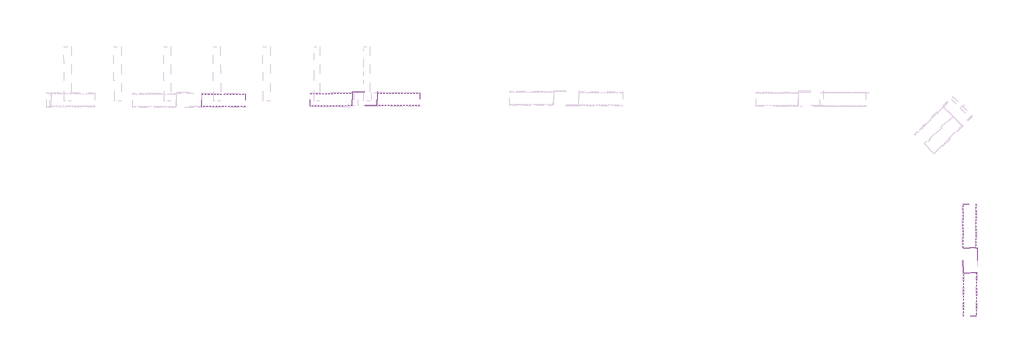
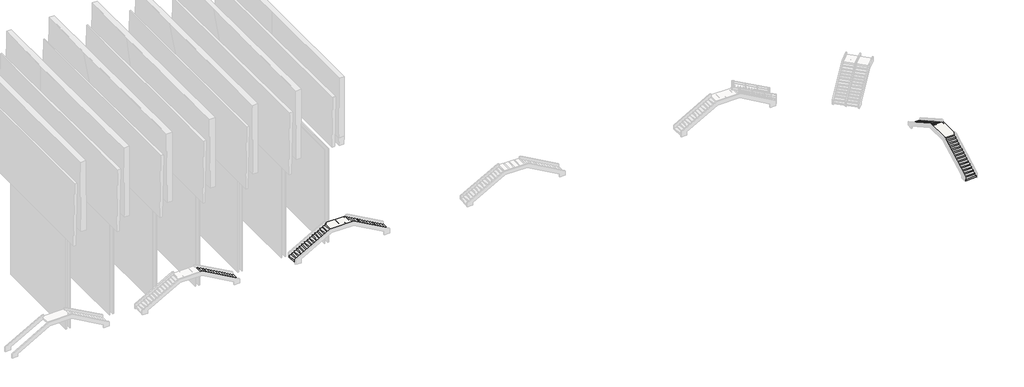
# One storey, part 5 of 9: 5 stair flights, 2 slabs.
"""IFC4 building model written with IfcOpenShell, lengths in millimetres."""

from ifc_helpers import new_model, si_unit, origin, place, context, project, spatial, faceted_brep, element, save

model = new_model("IFC4")

# Units and contexts
model_context = context("Model", 3, world=origin())
ifc_project = project(units=[si_unit("LENGTHUNIT", "METRE", prefix="MILLI")], contexts=[model_context])

# Site, building, storey
site = spatial("IfcSite", under=ifc_project)
building = spatial("IfcBuilding", under=site)
storey = spatial("IfcBuildingStorey", under=building, Elevation=-6062.0)

# Slabs
placement = place(None, origin())
element("IfcSlab", 1, at=placement, inside=storey, context=model_context, shape_type="Brep", body=[
    faceted_brep([(53920.2213619, 101679.308702, 30.875), (53925.3314713, 100476.7741013, 30.875), (53945.3312907, 100476.8590896, 30.875), (56321.0527632, 100486.9545967, 30.875), (56341.0525826, 100487.0395849, 30.875), (56335.9427821, 101689.5014925, 30.875), (56335.2364982, 101855.7075003, 30.875), (53919.5238593, 101843.4482411, 30.875), (56341.0525826, 100487.0395849, -151.125), (56335.9427821, 101689.5014925, -151.125), (56335.9427821, 101689.5014925, 10.875), (53919.5238593, 101843.4482411, 10.875), (53920.2213619, 101679.308702, 10.875), (53925.3314713, 100476.7741013, -151.125), (53945.3312907, 100476.8590896, -151.125), (53945.3312907, 100476.8590896, 10.875), (56321.0527632, 100486.9545967, 10.875), (56321.0527632, 100486.9545967, -151.125), (56315.9429627, 101689.4165043, 10.875), (53940.2211813, 101679.3936903, 10.875), (56335.2364982, 101855.7075003, 10.875), (56315.9429627, 101689.4165043, -151.125), (53940.2211813, 101679.3936903, -151.125), (53920.2213619, 101679.308702, -151.125)], [[[0, 1, 2, 3, 4, 5, 6, 7]], [[5, 4, 8, 9, 10]], [[0, 7, 11, 12]], [[1, 13, 14, 15, 16, 17, 8, 4, 3, 2]], [[10, 18, 16, 15, 19, 12, 11, 20]], [[21, 18, 10, 9]], [[17, 21, 9, 8]], [[21, 17, 16, 18]], [[19, 22, 23, 12]], [[22, 14, 13, 23]], [[14, 22, 19, 15]], [[1, 0, 12, 23, 13]], [[6, 5, 10, 20]], [[7, 6, 20, 11]]]),
])
element("IfcSlab", 2, at=placement, inside=storey, context=model_context, shape_type="Brep", body=[
    faceted_brep([(113674.0997903, 86866.8438191, 50.875), (112471.5718735, 86860.3247573, 50.875), (112471.6802945, 86840.3250512, 50.875), (112484.6136776, 84454.5899958, 50.875), (113815.5643997, 84461.8052545, 50.875), (113808.6632375, 86867.5733052, 50.875), (113674.0997903, 86866.8438191, 30.875), (113674.0997903, 86866.8438191, -136.4583333), (112471.5718735, 86860.3247573, -136.4583333), (112471.6802945, 86840.3250512, -136.4583333), (112471.6802945, 86840.3250512, 30.875), (112484.6136776, 84454.5899958, 30.875), (113674.2082114, 86846.844113, -136.4583333), (113674.2082114, 86846.844113, 30.875), (113808.6632375, 86867.5733052, 30.875), (113815.5643997, 84461.8052545, 30.875)], [[[0, 1, 2, 3, 4, 5]], [[1, 0, 6, 7, 8]], [[1, 8, 9, 10, 11, 3, 2]], [[12, 9, 8, 7]], [[13, 6, 14, 15, 11, 10]], [[0, 5, 14, 6]], [[5, 4, 15, 14]], [[4, 3, 11, 15]], [[13, 12, 7, 6]], [[9, 12, 13, 10]]]),
])

# Stair flights
element("IfcStairFlight", 3, ObjectType="Rampa_Acciaio_2cm", at=placement, inside=storey, context=model_context, shape_type="Brep", body=[
    faceted_brep([(43390.599231, 100405.9581301, -2242.4583333), (43689.599231, 100405.9600556, -2242.4583333), (43689.5914868, 101608.5056426, -2242.4583333), (43390.5914868, 101608.5037171, -2242.4583333), (43689.5914868, 101608.5056426, -2409.125), (43669.5914868, 101608.5055138, -2409.125), (43669.591486, 101608.5055138, -2262.4583333), (43390.5914868, 101608.5037171, -2262.4583333), (43689.599231, 100405.9600556, -2409.125), (43390.599231, 100405.9581301, -2262.4583333), (43669.599231, 100405.9599268, -2262.4583333), (43669.5992317, 100405.9599268, -2409.125), (43091.599231, 100405.9562046, -2075.7916667), (43390.599231, 100405.9581301, -2075.7916667), (43390.5914868, 101608.5037171, -2075.7916667), (43091.5914868, 101608.5017916, -2075.7916667), (43370.5914868, 101608.5035883, -2262.4583333), (43370.5914867, 101608.5035883, -2095.7916667), (43091.5914868, 101608.5017916, -2095.7916667), (43091.599231, 100405.9562046, -2095.7916667), (43370.599231, 100405.9580013, -2095.7916667), (43370.5992324, 100405.9580013, -2262.4583333), (42792.5992311, 100405.9542791, -1909.125), (43091.599231, 100405.9562046, -1909.125), (43091.5914868, 101608.5017916, -1909.125), (42792.5914868, 101608.4998661, -1909.125), (43071.5914868, 101608.5016628, -2095.7916667), (43071.5914848, 101608.5016628, -1929.125), (42792.5914868, 101608.4998661, -1929.125), (42792.5992311, 100405.9542791, -1929.125), (43071.599231, 100405.9560758, -1929.125), (43071.5992304, 100405.9560758, -2095.7916667), (42493.5992311, 100405.9523536, -1742.4583333), (42792.5992311, 100405.9542791, -1742.4583333), (42792.5914868, 101608.4998661, -1742.4583333), (42493.5914868, 101608.4979405, -1742.4583333), (42772.5914868, 101608.4997373, -1929.125), (42772.5914855, 101608.4997373, -1762.4583333), (42493.5914868, 101608.4979405, -1762.4583333), (42493.5992311, 100405.9523536, -1762.4583333), (42772.5992311, 100405.9541503, -1762.4583333), (42772.5992312, 100405.9541503, -1929.125), (42194.5992311, 100405.950428, -1575.7916667), (42493.5992311, 100405.9523536, -1575.7916667), (42493.5914868, 101608.4979405, -1575.7916667), (42194.5914868, 101608.496015, -1575.7916667), (42473.5914868, 101608.4978118, -1762.4583333), (42473.5914862, 101608.4978118, -1595.7916667), (42194.5914868, 101608.496015, -1595.7916667), (42194.5992311, 100405.950428, -1595.7916667), (42473.5992311, 100405.9522248, -1595.7916667), (42473.5992319, 100405.9522248, -1762.4583333), (41895.5992311, 100405.9485025, -1409.125), (42194.5992311, 100405.950428, -1409.125), (42194.5914868, 101608.496015, -1409.125), (41895.5914868, 101608.4940895, -1409.125), (42174.5914868, 101608.4958862, -1595.7916667), (42174.5914869, 101608.4958862, -1429.125), (41895.5914868, 101608.4940895, -1429.125), (41895.5992311, 100405.9485025, -1429.125), (42174.5992311, 100405.9502992, -1429.125), (42174.5992326, 100405.9502992, -1595.7916667), (41596.5992311, 100405.946577, -1242.4583333), (41895.5992311, 100405.9485025, -1242.4583333), (41895.5914868, 101608.4940895, -1242.4583333), (41596.5914868, 101608.492164, -1242.4583333), (41875.5914868, 101608.4939607, -1429.125), (41875.5914849, 101608.4939607, -1262.4583333), (41596.5914868, 101608.492164, -1262.4583333), (41596.5992311, 100405.946577, -1262.4583333), (41875.5992311, 100405.9483737, -1262.4583333), (41875.5992306, 100405.9483737, -1429.125), (41297.5992311, 100405.9446515, -1075.7916667), (41596.5992311, 100405.946577, -1075.7916667), (41596.5914868, 101608.492164, -1075.7916667), (41297.5914868, 101608.4902385, -1075.7916667), (41576.5914868, 101608.4920352, -1262.4583333), (41576.5914857, 101608.4920352, -1095.7916667), (41297.5914868, 101608.4902385, -1095.7916667), (41297.5992311, 100405.9446515, -1095.7916667), (41576.5992311, 100405.9464482, -1095.7916667), (41576.5992313, 100405.9464482, -1262.4583333), (40998.5992311, 100405.9427259, -909.125), (41297.5992311, 100405.9446515, -909.125), (41297.5914868, 101608.4902385, -909.125), (40998.5914868, 101608.4883129, -909.125), (41277.5914868, 101608.4901097, -1095.7916667), (41277.5914864, 101608.4901097, -929.125), (40998.5914868, 101608.4883129, -929.125), (40998.5992311, 100405.9427259, -929.125), (41277.5992311, 100405.9445227, -929.125), (41277.5992321, 100405.9445227, -1095.7916667), (40699.5992311, 100405.9408004, -742.4583333), (40998.5992311, 100405.9427259, -742.4583333), (40998.5914868, 101608.4883129, -742.4583333), (40699.5914869, 101608.4863874, -742.4583333), (40978.5914868, 101608.4881841, -929.125), (40978.5914871, 101608.4881841, -762.4583333), (40699.5914869, 101608.4863874, -762.4583333), (40699.5992311, 100405.9408004, -762.4583333), (40978.5992311, 100405.9425971, -762.4583333), (40978.5992328, 100405.9425971, -929.125), (40400.5992311, 100405.9388749, -575.7916667), (40699.5992311, 100405.9408004, -575.7916667), (40699.5914869, 101608.4863874, -575.7916667), (40400.5914869, 101608.4844619, -575.7916667), (40679.5914869, 101608.4862586, -762.4583333), (40679.5914851, 101608.4862586, -595.7916667), (40400.5914869, 101608.4844619, -595.7916667), (40400.5992311, 100405.9388749, -595.7916667), (40679.5992311, 100405.9406716, -595.7916667), (40679.5992308, 100405.9406716, -762.4583333), (40101.5992311, 100405.9369494, -409.125), (40400.5992311, 100405.9388749, -409.125), (40400.5914869, 101608.4844619, -409.125), (40101.5914869, 101608.4825364, -409.125), (40380.5914869, 101608.4843331, -595.7916667), (40380.5914858, 101608.4843331, -429.125), (40101.5914869, 101608.4825364, -429.125), (40101.5992311, 100405.9369494, -429.125), (40380.5992311, 100405.9387461, -429.125), (40380.5992315, 100405.9387461, -595.7916667), (39802.5992311, 100405.9350238, -242.4583333), (40101.5992311, 100405.9369494, -242.4583333), (40101.5914869, 101608.4825364, -242.4583333), (39802.5914869, 101608.4806108, -242.4583333), (40081.5914869, 101608.4824076, -429.125), (40081.5914866, 101608.4824076, -262.4583333), (39802.5914869, 101608.4806108, -262.4583333), (39802.5992311, 100405.9350238, -262.4583333), (40081.5992311, 100405.9368206, -262.4583333), (40081.5992322, 100405.9368206, -429.125), (39503.5992311, 100405.9330983, -75.7916667), (39802.5992311, 100405.9350238, -75.7916667), (39802.5914869, 101608.4806108, -75.7916667), (39503.5914869, 101608.4786853, -75.7916667), (39782.5914869, 101608.480482, -262.4583333), (39782.5914846, 101608.480482, -95.7916667), (39503.5914869, 101608.4786853, -95.7916667), (39503.5992311, 100405.9330983, -95.7916667), (39782.5992311, 100405.9348951, -95.7916667), (39782.5992303, 100405.9348951, -262.4583333)], [[[0, 1, 2, 3]], [[3, 2, 4, 5, 6, 7]], [[2, 1, 8, 4]], [[1, 0, 9, 10, 11, 8]], [[12, 13, 14, 15]], [[15, 14, 3, 7, 16, 17, 18]], [[0, 3, 14, 13]], [[13, 12, 19, 20, 21, 9, 0]], [[22, 23, 24, 25]], [[25, 24, 15, 18, 26, 27, 28]], [[12, 15, 24, 23]], [[23, 22, 29, 30, 31, 19, 12]], [[32, 33, 34, 35]], [[35, 34, 25, 28, 36, 37, 38]], [[22, 25, 34, 33]], [[33, 32, 39, 40, 41, 29, 22]], [[42, 43, 44, 45]], [[45, 44, 35, 38, 46, 47, 48]], [[32, 35, 44, 43]], [[43, 42, 49, 50, 51, 39, 32]], [[52, 53, 54, 55]], [[55, 54, 45, 48, 56, 57, 58]], [[42, 45, 54, 53]], [[53, 52, 59, 60, 61, 49, 42]], [[62, 63, 64, 65]], [[65, 64, 55, 58, 66, 67, 68]], [[52, 55, 64, 63]], [[63, 62, 69, 70, 71, 59, 52]], [[72, 73, 74, 75]], [[75, 74, 65, 68, 76, 77, 78]], [[62, 65, 74, 73]], [[73, 72, 79, 80, 81, 69, 62]], [[82, 83, 84, 85]], [[85, 84, 75, 78, 86, 87, 88]], [[72, 75, 84, 83]], [[83, 82, 89, 90, 91, 79, 72]], [[92, 93, 94, 95]], [[95, 94, 85, 88, 96, 97, 98]], [[82, 85, 94, 93]], [[93, 92, 99, 100, 101, 89, 82]], [[102, 103, 104, 105]], [[105, 104, 95, 98, 106, 107, 108]], [[92, 95, 104, 103]], [[103, 102, 109, 110, 111, 99, 92]], [[112, 113, 114, 115]], [[115, 114, 105, 108, 116, 117, 118]], [[102, 105, 114, 113]], [[113, 112, 119, 120, 121, 109, 102]], [[122, 123, 124, 125]], [[125, 124, 115, 118, 126, 127, 128]], [[112, 115, 124, 123]], [[123, 122, 129, 130, 131, 119, 112]], [[4, 8, 11, 5]], [[132, 133, 134, 135]], [[135, 134, 125, 128, 136, 137, 138]], [[122, 125, 134, 133]], [[133, 132, 139, 140, 141, 129, 122]], [[132, 135, 138, 139]], [[10, 6, 5, 11]], [[21, 16, 7, 6, 10, 9]], [[16, 21, 20, 17]], [[31, 26, 18, 17, 20, 19]], [[26, 31, 30, 27]], [[41, 36, 28, 27, 30, 29]], [[36, 41, 40, 37]], [[51, 46, 38, 37, 40, 39]], [[46, 51, 50, 47]], [[61, 56, 48, 47, 50, 49]], [[56, 61, 60, 57]], [[71, 66, 58, 57, 60, 59]], [[66, 71, 70, 67]], [[81, 76, 68, 67, 70, 69]], [[76, 81, 80, 77]], [[91, 86, 78, 77, 80, 79]], [[86, 91, 90, 87]], [[101, 96, 88, 87, 90, 89]], [[96, 101, 100, 97]], [[111, 106, 98, 97, 100, 99]], [[106, 111, 110, 107]], [[121, 116, 108, 107, 110, 109]], [[116, 121, 120, 117]], [[131, 126, 118, 117, 120, 119]], [[126, 131, 130, 127]], [[141, 136, 128, 127, 130, 129]], [[136, 141, 140, 137]], [[137, 140, 139, 138]]]),
])
element("IfcStairFlight", 4, ObjectType="Rampa_Acciaio_2cm", at=placement, inside=storey, context=model_context, shape_type="Brep", body=[
    faceted_brep([(50176.2551657, 101663.3989088, -2237.125), (49888.257766, 101662.1750786, -2237.125), (49893.3678759, 100459.6403491, -2237.125), (50181.3652756, 100460.8641794, -2237.125), (50176.2551657, 101663.3989088, -2257.125), (49908.2575854, 101662.2600668, -2257.125), (49908.2575854, 101662.2600668, -2399.125), (49888.257766, 101662.1750786, -2399.125), (49893.3678759, 100459.6403491, -2399.125), (49913.3676953, 100459.7253373, -2399.125), (49913.3676953, 100459.7253373, -2257.125), (50181.3652756, 100460.8641794, -2257.125), (50464.2525654, 101664.6227391, -2075.125), (50176.2551657, 101663.3989088, -2075.125), (50181.3652756, 100460.8641794, -2075.125), (50469.3626753, 100462.0880096, -2075.125), (50464.2525654, 101664.6227391, -2095.125), (50196.2549851, 101663.4838971, -2095.125), (50196.2549851, 101663.4838971, -2257.125), (50201.365095, 100460.9491676, -2257.125), (50201.365095, 100460.9491676, -2095.125), (50469.3626753, 100462.0880096, -2095.125), (50752.2499651, 101665.8465693, -1913.125), (50464.2525654, 101664.6227391, -1913.125), (50469.3626753, 100462.0880096, -1913.125), (50757.360075, 100463.3118398, -1913.125), (50752.2499651, 101665.8465693, -1933.125), (50484.2523848, 101664.7077273, -1933.125), (50484.2523848, 101664.7077273, -2095.125), (50489.3624948, 100462.1729978, -2095.125), (50489.3624948, 100462.1729978, -1933.125), (50757.360075, 100463.3118398, -1933.125), (51040.2473648, 101667.0703996, -1751.125), (50752.2499651, 101665.8465693, -1751.125), (50757.360075, 100463.3118398, -1751.125), (51045.3574747, 100464.5356701, -1751.125), (51040.2473648, 101667.0703996, -1771.125), (50772.2497845, 101665.9315576, -1771.125), (50772.2497845, 101665.9315576, -1933.125), (50777.3598945, 100463.3968281, -1933.125), (50777.3598945, 100463.3968281, -1771.125), (51045.3574747, 100464.5356701, -1771.125), (51328.2447645, 101668.2942298, -1589.125), (51040.2473648, 101667.0703996, -1589.125), (51045.3574747, 100464.5356701, -1589.125), (51333.3548745, 100465.7595003, -1589.125), (51328.2447645, 101668.2942298, -1609.125), (51060.2471842, 101667.1553878, -1609.125), (51060.2471842, 101667.1553878, -1771.125), (51065.3572942, 100464.6206583, -1771.125), (51065.3572942, 100464.6206583, -1609.125), (51333.3548745, 100465.7595003, -1609.125), (51616.2421642, 101669.5180601, -1427.125), (51328.2447645, 101668.2942298, -1427.125), (51333.3548745, 100465.7595003, -1427.125), (51621.3522742, 100466.9833306, -1427.125), (51616.2421642, 101669.5180601, -1447.125), (51348.2445839, 101668.379218, -1447.125), (51348.2445839, 101668.379218, -1609.125), (51353.3546939, 100465.8444885, -1609.125), (51353.3546939, 100465.8444885, -1447.125), (51621.3522742, 100466.9833306, -1447.125), (51904.2395639, 101670.7418903, -1265.125), (51616.2421642, 101669.5180601, -1265.125), (51621.3522742, 100466.9833306, -1265.125), (51909.3496739, 100468.2071608, -1265.125), (51904.2395639, 101670.7418903, -1285.125), (51636.2419837, 101669.6030483, -1285.125), (51636.2419837, 101669.6030483, -1447.125), (51641.3520936, 100467.0683188, -1447.125), (51641.3520936, 100467.0683188, -1285.125), (51909.3496739, 100468.2071608, -1285.125), (52192.2369637, 101671.9657206, -1103.125), (51904.2395639, 101670.7418903, -1103.125), (51909.3496739, 100468.2071608, -1103.125), (52197.3470736, 100469.4309911, -1103.125), (52192.2369637, 101671.9657206, -1123.125), (51924.2393834, 101670.8268785, -1123.125), (51924.2393834, 101670.8268785, -1285.125), (51929.3494933, 100468.292149, -1285.125), (51929.3494933, 100468.292149, -1123.125), (52197.3470736, 100469.4309911, -1123.125), (52480.2343634, 101673.1895508, -941.125), (52192.2369637, 101671.9657206, -941.125), (52197.3470736, 100469.4309911, -941.125), (52485.3444733, 100470.6548213, -941.125), (52480.2343634, 101673.1895508, -961.125), (52212.2367831, 101672.0507088, -961.125), (52212.2367831, 101672.0507088, -1123.125), (52217.346893, 100469.5159793, -1123.125), (52217.346893, 100469.5159793, -961.125), (52485.3444733, 100470.6548213, -961.125), (52768.2317631, 101674.4133811, -779.125), (52480.2343634, 101673.1895508, -779.125), (52485.3444733, 100470.6548213, -779.125), (52773.341873, 100471.8786516, -779.125), (52768.2317631, 101674.4133811, -799.125), (52500.2341828, 101673.274539, -799.125), (52500.2341828, 101673.274539, -961.125), (52505.3442927, 100470.7398095, -961.125), (52505.3442927, 100470.7398095, -799.125), (52773.341873, 100471.8786516, -799.125), (53056.2291628, 101675.6372113, -617.125), (52768.2317631, 101674.4133811, -617.125), (52773.341873, 100471.8786516, -617.125), (53061.3392727, 100473.1024818, -617.125), (53056.2291628, 101675.6372113, -637.125), (52788.2315825, 101674.4983693, -637.125), (52788.2315825, 101674.4983693, -799.125), (52793.3416924, 100471.9636398, -799.125), (52793.3416924, 100471.9636398, -637.125), (53061.3392727, 100473.1024818, -637.125), (53344.2265625, 101676.8610416, -455.125), (53056.2291628, 101675.6372113, -455.125), (53061.3392727, 100473.1024818, -455.125), (53349.3366724, 100474.3263121, -455.125), (53344.2265625, 101676.8610416, -475.125), (53076.2289822, 101675.7221995, -475.125), (53076.2289822, 101675.7221995, -637.125), (53081.3390921, 100473.18747, -637.125), (53081.3390921, 100473.18747, -475.125), (53349.3366724, 100474.3263121, -475.125), (53632.2239622, 101678.0848718, -293.125), (53344.2265625, 101676.8610416, -293.125), (53349.3366724, 100474.3263121, -293.125), (53637.3340721, 100475.5501423, -293.125), (53632.2239622, 101678.0848718, -313.125), (53364.2263819, 101676.9460298, -313.125), (53364.2263819, 101676.9460298, -475.125), (53369.3364918, 100474.4113003, -475.125), (53369.3364918, 100474.4113003, -313.125), (53637.3340721, 100475.5501423, -313.125), (53652.2237816, 101678.16986, -313.125), (53657.3338916, 100475.6351305, -313.125), (53652.2237816, 101678.16986, -151.125), (53657.3338916, 100475.6351305, -151.125), (53920.2213619, 101679.308702, -131.125), (53632.2239622, 101678.0848718, -131.125), (53637.3340721, 100475.5501423, -131.125), (53925.3314718, 100476.7739725, -131.125), (53920.2213619, 101679.308702, -151.125), (53925.3314718, 100476.7739725, -151.125)], [[[0, 1, 2, 3]], [[1, 0, 4, 5, 6, 7]], [[2, 1, 7, 8]], [[3, 2, 8, 9, 10, 11]], [[12, 13, 14, 15]], [[13, 12, 16, 17, 18, 4, 0]], [[0, 3, 14, 13]], [[15, 14, 3, 11, 19, 20, 21]], [[22, 23, 24, 25]], [[23, 22, 26, 27, 28, 16, 12]], [[12, 15, 24, 23]], [[25, 24, 15, 21, 29, 30, 31]], [[32, 33, 34, 35]], [[33, 32, 36, 37, 38, 26, 22]], [[22, 25, 34, 33]], [[35, 34, 25, 31, 39, 40, 41]], [[42, 43, 44, 45]], [[43, 42, 46, 47, 48, 36, 32]], [[32, 35, 44, 43]], [[45, 44, 35, 41, 49, 50, 51]], [[52, 53, 54, 55]], [[53, 52, 56, 57, 58, 46, 42]], [[42, 45, 54, 53]], [[55, 54, 45, 51, 59, 60, 61]], [[62, 63, 64, 65]], [[63, 62, 66, 67, 68, 56, 52]], [[52, 55, 64, 63]], [[65, 64, 55, 61, 69, 70, 71]], [[72, 73, 74, 75]], [[73, 72, 76, 77, 78, 66, 62]], [[62, 65, 74, 73]], [[75, 74, 65, 71, 79, 80, 81]], [[82, 83, 84, 85]], [[83, 82, 86, 87, 88, 76, 72]], [[72, 75, 84, 83]], [[85, 84, 75, 81, 89, 90, 91]], [[92, 93, 94, 95]], [[93, 92, 96, 97, 98, 86, 82]], [[82, 85, 94, 93]], [[95, 94, 85, 91, 99, 100, 101]], [[102, 103, 104, 105]], [[103, 102, 106, 107, 108, 96, 92]], [[92, 95, 104, 103]], [[105, 104, 95, 101, 109, 110, 111]], [[112, 113, 114, 115]], [[113, 112, 116, 117, 118, 106, 102]], [[102, 105, 114, 113]], [[115, 114, 105, 111, 119, 120, 121]], [[122, 123, 124, 125]], [[123, 122, 126, 127, 128, 116, 112]], [[112, 115, 124, 123]], [[125, 124, 115, 121, 129, 130, 131]], [[8, 7, 6, 9]], [[5, 10, 9, 6]], [[18, 19, 11, 10, 5, 4]], [[19, 18, 17, 20]], [[28, 29, 21, 20, 17, 16]], [[29, 28, 27, 30]], [[38, 39, 31, 30, 27, 26]], [[39, 38, 37, 40]], [[48, 49, 41, 40, 37, 36]], [[49, 48, 47, 50]], [[58, 59, 51, 50, 47, 46]], [[59, 58, 57, 60]], [[68, 69, 61, 60, 57, 56]], [[69, 68, 67, 70]], [[78, 79, 71, 70, 67, 66]], [[79, 78, 77, 80]], [[88, 89, 81, 80, 77, 76]], [[89, 88, 87, 90]], [[98, 99, 91, 90, 87, 86]], [[99, 98, 97, 100]], [[108, 109, 101, 100, 97, 96]], [[109, 108, 107, 110]], [[118, 119, 111, 110, 107, 106]], [[119, 118, 117, 120]], [[128, 129, 121, 120, 117, 116]], [[129, 128, 127, 130]], [[132, 133, 131, 130, 127, 126]], [[133, 132, 134, 135]], [[136, 137, 138, 139]], [[137, 136, 140, 134, 132, 126, 122]], [[122, 125, 138, 137]], [[139, 138, 125, 131, 133, 135, 141]], [[136, 139, 141, 140]], [[135, 134, 140, 141]]]),
])
element("IfcStairFlight", 5, ObjectType="Rampa_Acciaio_2cm", at=placement, inside=storey, context=model_context, shape_type="Brep", body=[
    faceted_brep([(60085.0190883, 100502.8765562, -2237.125), (60373.016488, 100504.1003864, -2237.125), (60367.906378, 101706.6351159, -2237.125), (60079.9089783, 101705.4112857, -2237.125), (60367.906378, 101706.6351159, -2399.125), (60347.9065586, 101706.5501277, -2399.125), (60347.9065586, 101706.5501277, -2257.125), (60079.9089783, 101705.4112857, -2257.125), (60373.016488, 100504.1003864, -2399.125), (60085.0190883, 100502.8765562, -2257.125), (60353.0166686, 100504.0153982, -2257.125), (60353.0166686, 100504.0153982, -2399.125), (59797.0216886, 100501.6527259, -2075.125), (60085.0190883, 100502.8765562, -2075.125), (60079.9089783, 101705.4112857, -2075.125), (59791.9115786, 101704.1874554, -2075.125), (60059.9091589, 101705.3262974, -2257.125), (60059.9091589, 101705.3262974, -2095.125), (59791.9115786, 101704.1874554, -2095.125), (59797.0216886, 100501.6527259, -2095.125), (60065.0192688, 100502.791568, -2095.125), (60065.0192688, 100502.791568, -2257.125), (59509.0242889, 100500.4288957, -1913.125), (59797.0216886, 100501.6527259, -1913.125), (59791.9115786, 101704.1874554, -1913.125), (59503.9141789, 101702.9636252, -1913.125), (59771.9117592, 101704.1024672, -2095.125), (59771.9117592, 101704.1024672, -1933.125), (59503.9141789, 101702.9636252, -1933.125), (59509.0242889, 100500.4288957, -1933.125), (59777.0218691, 100501.5677377, -1933.125), (59777.0218691, 100501.5677377, -2095.125), (59221.0268891, 100499.2050654, -1751.125), (59509.0242889, 100500.4288957, -1751.125), (59503.9141789, 101702.9636252, -1751.125), (59215.9167792, 101701.7397949, -1751.125), (59483.9143595, 101702.878637, -1933.125), (59483.9143595, 101702.878637, -1771.125), (59215.9167792, 101701.7397949, -1771.125), (59221.0268891, 100499.2050654, -1771.125), (59489.0244694, 100500.3439075, -1771.125), (59489.0244694, 100500.3439075, -1933.125), (58933.0294894, 100497.9812352, -1589.125), (59221.0268891, 100499.2050654, -1589.125), (59215.9167792, 101701.7397949, -1589.125), (58927.9193795, 101700.5159647, -1589.125), (59195.9169598, 101701.6548067, -1771.125), (59195.9169598, 101701.6548067, -1609.125), (58927.9193795, 101700.5159647, -1609.125), (58933.0294894, 100497.9812352, -1609.125), (59201.0270697, 100499.1200772, -1609.125), (59201.0270697, 100499.1200772, -1771.125), (58645.0320897, 100496.7574049, -1427.125), (58933.0294894, 100497.9812352, -1427.125), (58927.9193795, 101700.5159647, -1427.125), (58639.9219798, 101699.2921344, -1427.125), (58907.9195601, 101700.4309765, -1609.125), (58907.9195601, 101700.4309765, -1447.125), (58639.9219798, 101699.2921344, -1447.125), (58645.0320897, 100496.7574049, -1447.125), (58913.02967, 100497.896247, -1447.125), (58913.02967, 100497.896247, -1609.125), (58357.03469, 100495.5335747, -1265.125), (58645.0320897, 100496.7574049, -1265.125), (58639.9219798, 101699.2921344, -1265.125), (58351.9245801, 101698.0683042, -1265.125), (58619.9221604, 101699.2071462, -1447.125), (58619.9221604, 101699.2071462, -1285.125), (58351.9245801, 101698.0683042, -1285.125), (58357.03469, 100495.5335747, -1285.125), (58625.0322703, 100496.6724167, -1285.125), (58625.0322703, 100496.6724167, -1447.125), (58069.0372903, 100494.3097444, -1103.125), (58357.03469, 100495.5335747, -1103.125), (58351.9245801, 101698.0683042, -1103.125), (58063.9271804, 101696.8444739, -1103.125), (58331.9247607, 101697.983316, -1285.125), (58331.9247607, 101697.983316, -1123.125), (58063.9271804, 101696.8444739, -1123.125), (58069.0372903, 100494.3097444, -1123.125), (58337.0348706, 100495.4485865, -1123.125), (58337.0348706, 100495.4485865, -1285.125), (57781.0398906, 100493.0859142, -941.125), (58069.0372903, 100494.3097444, -941.125), (58063.9271804, 101696.8444739, -941.125), (57775.9297807, 101695.6206437, -941.125), (58043.9273609, 101696.7594857, -1123.125), (58043.9273609, 101696.7594857, -961.125), (57775.9297807, 101695.6206437, -961.125), (57781.0398906, 100493.0859142, -961.125), (58049.0374709, 100494.2247562, -961.125), (58049.0374709, 100494.2247562, -1123.125), (57493.0424909, 100491.862084, -779.125), (57781.0398906, 100493.0859142, -779.125), (57775.9297807, 101695.6206437, -779.125), (57487.932381, 101694.3968134, -779.125), (57755.9299612, 101695.5356555, -961.125), (57755.9299612, 101695.5356555, -799.125), (57487.932381, 101694.3968134, -799.125), (57493.0424909, 100491.862084, -799.125), (57761.0400712, 100493.000926, -799.125), (57761.0400712, 100493.000926, -961.125), (57205.0450912, 100490.6382537, -617.125), (57493.0424909, 100491.862084, -617.125), (57487.932381, 101694.3968134, -617.125), (57199.9349812, 101693.1729832, -617.125), (57467.9325615, 101694.3118252, -799.125), (57467.9325615, 101694.3118252, -637.125), (57199.9349812, 101693.1729832, -637.125), (57205.0450912, 100490.6382537, -637.125), (57473.0426715, 100491.7770957, -637.125), (57473.0426715, 100491.7770957, -799.125), (56917.0476915, 100489.4144235, -455.125), (57205.0450912, 100490.6382537, -455.125), (57199.9349812, 101693.1729832, -455.125), (56911.9375815, 101691.949153, -455.125), (57179.9351618, 101693.087995, -637.125), (57179.9351618, 101693.087995, -475.125), (56911.9375815, 101691.949153, -475.125), (56917.0476915, 100489.4144235, -475.125), (57185.0452718, 100490.5532655, -475.125), (57185.0452718, 100490.5532655, -637.125), (56629.0502918, 100488.1905932, -293.125), (56917.0476915, 100489.4144235, -293.125), (56911.9375815, 101691.949153, -293.125), (56623.9401818, 101690.7253227, -293.125), (56891.9377621, 101691.8641647, -475.125), (56891.9377621, 101691.8641647, -313.125), (56623.9401818, 101690.7253227, -313.125), (56629.0502918, 100488.1905932, -313.125), (56897.047872, 100489.3294352, -313.125), (56897.047872, 100489.3294352, -475.125), (56341.052892, 100486.966763, -131.125), (56629.0502918, 100488.1905932, -131.125), (56623.9401818, 101690.7253227, -131.125), (56335.9427821, 101689.5014925, -131.125), (56603.9403624, 101690.6403345, -313.125), (56603.9403624, 101690.6403345, -151.125), (56335.9427821, 101689.5014925, -151.125), (56341.052892, 100486.966763, -151.125), (56609.0504723, 100488.105605, -151.125), (56609.0504723, 100488.105605, -313.125)], [[[0, 1, 2, 3]], [[3, 2, 4, 5, 6, 7]], [[2, 1, 8, 4]], [[1, 0, 9, 10, 11, 8]], [[12, 13, 14, 15]], [[15, 14, 3, 7, 16, 17, 18]], [[0, 3, 14, 13]], [[13, 12, 19, 20, 21, 9, 0]], [[22, 23, 24, 25]], [[25, 24, 15, 18, 26, 27, 28]], [[12, 15, 24, 23]], [[23, 22, 29, 30, 31, 19, 12]], [[32, 33, 34, 35]], [[35, 34, 25, 28, 36, 37, 38]], [[22, 25, 34, 33]], [[33, 32, 39, 40, 41, 29, 22]], [[42, 43, 44, 45]], [[45, 44, 35, 38, 46, 47, 48]], [[32, 35, 44, 43]], [[43, 42, 49, 50, 51, 39, 32]], [[52, 53, 54, 55]], [[55, 54, 45, 48, 56, 57, 58]], [[42, 45, 54, 53]], [[53, 52, 59, 60, 61, 49, 42]], [[62, 63, 64, 65]], [[65, 64, 55, 58, 66, 67, 68]], [[52, 55, 64, 63]], [[63, 62, 69, 70, 71, 59, 52]], [[72, 73, 74, 75]], [[75, 74, 65, 68, 76, 77, 78]], [[62, 65, 74, 73]], [[73, 72, 79, 80, 81, 69, 62]], [[82, 83, 84, 85]], [[85, 84, 75, 78, 86, 87, 88]], [[72, 75, 84, 83]], [[83, 82, 89, 90, 91, 79, 72]], [[92, 93, 94, 95]], [[95, 94, 85, 88, 96, 97, 98]], [[82, 85, 94, 93]], [[93, 92, 99, 100, 101, 89, 82]], [[102, 103, 104, 105]], [[105, 104, 95, 98, 106, 107, 108]], [[92, 95, 104, 103]], [[103, 102, 109, 110, 111, 99, 92]], [[112, 113, 114, 115]], [[115, 114, 105, 108, 116, 117, 118]], [[102, 105, 114, 113]], [[113, 112, 119, 120, 121, 109, 102]], [[122, 123, 124, 125]], [[125, 124, 115, 118, 126, 127, 128]], [[112, 115, 124, 123]], [[123, 122, 129, 130, 131, 119, 112]], [[4, 8, 11, 5]], [[132, 133, 134, 135]], [[135, 134, 125, 128, 136, 137, 138]], [[122, 125, 134, 133]], [[133, 132, 139, 140, 141, 129, 122]], [[132, 135, 138, 139]], [[10, 6, 5, 11]], [[21, 16, 7, 6, 10, 9]], [[16, 21, 20, 17]], [[31, 26, 18, 17, 20, 19]], [[26, 31, 30, 27]], [[41, 36, 28, 27, 30, 29]], [[36, 41, 40, 37]], [[51, 46, 38, 37, 40, 39]], [[46, 51, 50, 47]], [[61, 56, 48, 47, 50, 49]], [[56, 61, 60, 57]], [[71, 66, 58, 57, 60, 59]], [[66, 71, 70, 67]], [[81, 76, 68, 67, 70, 69]], [[76, 81, 80, 77]], [[91, 86, 78, 77, 80, 79]], [[86, 91, 90, 87]], [[101, 96, 88, 87, 90, 89]], [[96, 101, 100, 97]], [[111, 106, 98, 97, 100, 99]], [[106, 111, 110, 107]], [[121, 116, 108, 107, 110, 109]], [[116, 121, 120, 117]], [[131, 126, 118, 117, 120, 119]], [[126, 131, 130, 127]], [[141, 136, 128, 127, 130, 129]], [[136, 141, 140, 137]], [[137, 140, 139, 138]]]),
])
element("IfcStairFlight", 6, ObjectType="Rampa_Acciaio_2cm", at=placement, inside=storey, context=model_context, shape_type="Brep", body=[
    faceted_brep([(112505.5550536, 80591.6738152, -2291.7916667), (112507.1867902, 80290.6782381, -2291.7916667), (113709.714707, 80297.1972998, -2291.7916667), (113708.0829704, 80598.192877, -2291.7916667), (113709.714707, 80297.1972998, -2459.125), (113709.6062859, 80317.197006, -2459.125), (113709.6062859, 80317.197006, -2311.7916667), (113708.0829704, 80598.192877, -2311.7916667), (112507.1867902, 80290.6782381, -2459.125), (112505.5550536, 80591.6738152, -2311.7916667), (112507.0783691, 80310.6779442, -2311.7916667), (112507.0783691, 80310.6779442, -2459.125), (112503.923317, 80892.6693923, -2124.4583333), (112505.5550536, 80591.6738152, -2124.4583333), (113708.0829704, 80598.192877, -2124.4583333), (113706.4512338, 80899.1884541, -2124.4583333), (113707.9745494, 80618.1925831, -2311.7916667), (113707.9745494, 80618.1925831, -2144.4583333), (113706.4512338, 80899.1884541, -2144.4583333), (112503.923317, 80892.6693923, -2144.4583333), (112505.4466326, 80611.6735213, -2144.4583333), (112505.4466326, 80611.6735213, -2311.7916667), (112502.2915805, 81193.6649694, -1957.125), (112503.923317, 80892.6693923, -1957.125), (113706.4512338, 80899.1884541, -1957.125), (113704.8194973, 81200.1840312, -1957.125), (113706.3428128, 80919.1881602, -2144.4583333), (113706.3428128, 80919.1881602, -1977.125), (113704.8194973, 81200.1840312, -1977.125), (112502.2915805, 81193.6649694, -1977.125), (112503.814896, 80912.6690984, -1977.125), (112503.814896, 80912.6690984, -2144.4583333), (112500.6598439, 81494.6605465, -1789.7916667), (112502.2915805, 81193.6649694, -1789.7916667), (113704.8194973, 81200.1840312, -1789.7916667), (113703.1877607, 81501.1796083, -1789.7916667), (113704.7110763, 81220.1837373, -1977.125), (113704.7110763, 81220.1837373, -1809.7916667), (113703.1877607, 81501.1796083, -1809.7916667), (112500.6598439, 81494.6605465, -1809.7916667), (112502.1831595, 81213.6646755, -1809.7916667), (112502.1831595, 81213.6646755, -1977.125), (112499.0281074, 81795.6561236, -1622.4583333), (112500.6598439, 81494.6605465, -1622.4583333), (113703.1877607, 81501.1796083, -1622.4583333), (113701.5560242, 81802.1751854, -1622.4583333), (113703.0793397, 81521.1793144, -1809.7916667), (113703.0793397, 81521.1793144, -1642.4583333), (113701.5560242, 81802.1751854, -1642.4583333), (112499.0281074, 81795.6561236, -1642.4583333), (112500.5514229, 81514.6602526, -1642.4583333), (112500.5514229, 81514.6602526, -1809.7916667), (112497.3963708, 82096.6517007, -1455.125), (112499.0281074, 81795.6561236, -1455.125), (113701.5560242, 81802.1751854, -1455.125), (113699.9242876, 82103.1707625, -1455.125), (113701.4476031, 81822.1748915, -1642.4583333), (113701.4476031, 81822.1748915, -1475.125), (113699.9242876, 82103.1707625, -1475.125), (112497.3963708, 82096.6517007, -1475.125), (112498.9196863, 81815.6558297, -1475.125), (112498.9196863, 81815.6558297, -1642.4583333), (112497.2879498, 82116.6514068, -1475.125), (113699.8158666, 82123.1704686, -1475.125), (112497.2879498, 82116.6514068, -1307.7916667), (113699.8158666, 82123.1704686, -1307.7916667), (112495.7104237, 82407.6471309, -1307.7916667), (113698.2383405, 82414.1661926, -1307.7916667), (113698.3467616, 82394.1664865, -1307.7916667), (112495.8188448, 82387.6474247, -1307.7916667), (112495.7104237, 82407.6471309, -1140.4583333), (113698.2383405, 82414.1661926, -1140.4583333), (112494.0786872, 82708.642708, -1140.4583333), (113696.606604, 82715.1617697, -1140.4583333), (113696.715025, 82695.1620636, -1140.4583333), (112494.1871082, 82688.6430018, -1140.4583333), (112494.0786872, 82708.642708, -973.125), (113696.606604, 82715.1617697, -973.125), (112492.5011611, 82999.638432, -973.125), (113695.029078, 83006.1574938, -973.125), (113695.137499, 82986.1577877, -973.125), (112492.6095822, 82979.6387259, -973.125), (112492.5011611, 82999.638432, -805.7916667), (113695.029078, 83006.1574938, -805.7916667), (112490.8694246, 83300.6340091, -805.7916667), (113693.3973414, 83307.1530709, -805.7916667), (113693.5057624, 83287.1533648, -805.7916667), (112490.9778456, 83280.634303, -805.7916667), (112490.8694246, 83300.6340091, -638.4583333), (113693.3973414, 83307.1530709, -638.4583333), (112489.237688, 83601.6295862, -638.4583333), (113691.7656048, 83608.148648, -638.4583333), (113691.8740259, 83588.1489419, -638.4583333), (112489.3461091, 83581.6298801, -638.4583333), (112489.237688, 83601.6295862, -471.125), (113691.7656048, 83608.148648, -471.125), (112487.6059515, 83902.6251633, -471.125), (113690.1338683, 83909.1442251, -471.125), (113690.2422893, 83889.144519, -471.125), (112487.7143725, 83882.6254572, -471.125), (112487.6059515, 83902.6251633, -303.7916667), (113690.1338683, 83909.1442251, -303.7916667), (112486.0284254, 84193.6208874, -303.7916667), (113688.5563422, 84200.1399491, -303.7916667), (113688.6647633, 84180.140243, -303.7916667), (112486.1368465, 84173.6211812, -303.7916667), (112486.0284254, 84193.6208874, -136.4583333), (113688.5563422, 84200.1399491, -136.4583333), (112484.5593204, 84464.6169053, -136.4583333), (113687.0872372, 84471.1359671, -136.4583333), (112495.8188448, 82387.6474247, -1287.7916667), (112497.3963708, 82096.6517007, -1287.7916667), (113699.9242876, 82103.1707625, -1287.7916667), (113698.3467616, 82394.1664865, -1287.7916667), (112494.1871082, 82688.6430018, -1120.4583333), (112495.8188448, 82387.6474247, -1120.4583333), (113698.3467616, 82394.1664865, -1120.4583333), (113696.715025, 82695.1620636, -1120.4583333), (112492.6095822, 82979.6387259, -953.125), (112494.1871082, 82688.6430018, -953.125), (113696.715025, 82695.1620636, -953.125), (113695.137499, 82986.1577877, -953.125), (112490.9778456, 83280.634303, -785.7916667), (112492.6095822, 82979.6387259, -785.7916667), (113695.137499, 82986.1577877, -785.7916667), (113693.5057624, 83287.1533648, -785.7916667), (112489.3461091, 83581.6298801, -618.4583333), (112490.9778456, 83280.634303, -618.4583333), (113693.5057624, 83287.1533648, -618.4583333), (113691.8740259, 83588.1489419, -618.4583333), (112487.7143725, 83882.6254572, -451.125), (112489.3461091, 83581.6298801, -451.125), (113691.8740259, 83588.1489419, -451.125), (113690.2422893, 83889.144519, -451.125), (112486.1368465, 84173.6211812, -283.7916667), (112487.7143725, 83882.6254572, -283.7916667), (113690.2422893, 83889.144519, -283.7916667), (113688.6647633, 84180.140243, -283.7916667), (112484.5593204, 84464.6169053, -116.4583333), (112486.1368465, 84173.6211812, -116.4583333), (113688.6647633, 84180.140243, -116.4583333), (113687.0872372, 84471.1359671, -116.4583333)], [[[0, 1, 2, 3]], [[3, 2, 4, 5, 6, 7]], [[2, 1, 8, 4]], [[1, 0, 9, 10, 11, 8]], [[12, 13, 14, 15]], [[15, 14, 3, 7, 16, 17, 18]], [[0, 3, 14, 13]], [[13, 12, 19, 20, 21, 9, 0]], [[22, 23, 24, 25]], [[25, 24, 15, 18, 26, 27, 28]], [[12, 15, 24, 23]], [[23, 22, 29, 30, 31, 19, 12]], [[32, 33, 34, 35]], [[35, 34, 25, 28, 36, 37, 38]], [[22, 25, 34, 33]], [[33, 32, 39, 40, 41, 29, 22]], [[42, 43, 44, 45]], [[45, 44, 35, 38, 46, 47, 48]], [[32, 35, 44, 43]], [[43, 42, 49, 50, 51, 39, 32]], [[52, 53, 54, 55]], [[55, 54, 45, 48, 56, 57, 58]], [[42, 45, 54, 53]], [[53, 52, 59, 60, 61, 49, 42]], [[4, 8, 11, 5]], [[10, 6, 5, 11]], [[21, 16, 7, 6, 10, 9]], [[16, 21, 20, 17]], [[31, 26, 18, 17, 20, 19]], [[26, 31, 30, 27]], [[41, 36, 28, 27, 30, 29]], [[36, 41, 40, 37]], [[51, 46, 38, 37, 40, 39]], [[46, 51, 50, 47]], [[61, 56, 48, 47, 50, 49]], [[56, 61, 60, 57]], [[62, 63, 58, 57, 60, 59]], [[63, 62, 64, 65]], [[66, 67, 68, 65, 64, 69]], [[67, 66, 70, 71]], [[72, 73, 74, 71, 70, 75]], [[73, 72, 76, 77]], [[78, 79, 80, 77, 76, 81]], [[79, 78, 82, 83]], [[84, 85, 86, 83, 82, 87]], [[85, 84, 88, 89]], [[90, 91, 92, 89, 88, 93]], [[91, 90, 94, 95]], [[96, 97, 98, 95, 94, 99]], [[97, 96, 100, 101]], [[102, 103, 104, 101, 100, 105]], [[103, 102, 106, 107]], [[107, 106, 108, 109]], [[110, 111, 112, 113]], [[113, 112, 55, 58, 63, 65, 68]], [[52, 55, 112, 111]], [[111, 110, 69, 64, 62, 59, 52]], [[114, 115, 116, 117]], [[117, 116, 113, 68, 67, 71, 74]], [[110, 113, 116, 115]], [[115, 114, 75, 70, 66, 69, 110]], [[118, 119, 120, 121]], [[121, 120, 117, 74, 73, 77, 80]], [[114, 117, 120, 119]], [[119, 118, 81, 76, 72, 75, 114]], [[122, 123, 124, 125]], [[125, 124, 121, 80, 79, 83, 86]], [[118, 121, 124, 123]], [[123, 122, 87, 82, 78, 81, 118]], [[126, 127, 128, 129]], [[129, 128, 125, 86, 85, 89, 92]], [[122, 125, 128, 127]], [[127, 126, 93, 88, 84, 87, 122]], [[130, 131, 132, 133]], [[133, 132, 129, 92, 91, 95, 98]], [[126, 129, 132, 131]], [[131, 130, 99, 94, 90, 93, 126]], [[134, 135, 136, 137]], [[137, 136, 133, 98, 97, 101, 104]], [[130, 133, 136, 135]], [[135, 134, 105, 100, 96, 99, 130]], [[138, 139, 140, 141]], [[141, 140, 137, 104, 103, 107, 109]], [[134, 137, 140, 139]], [[139, 138, 108, 106, 102, 105, 134]], [[138, 141, 109, 108]]]),
])
element("IfcStairFlight", 7, ObjectType="Rampa_Acciaio_2cm", at=placement, inside=storey, context=model_context, shape_type="Brep", body=[
    faceted_brep([(113652.8872151, 90779.7863214, -2291.7916667), (113651.2554785, 91080.7818985, -2291.7916667), (112448.7275617, 91074.2628368, -2291.7916667), (112450.3592983, 90773.2672597, -2291.7916667), (113652.8872151, 90779.7863214, -2311.7916667), (113651.3638996, 91060.7821924, -2311.7916667), (113651.3638996, 91060.7821924, -2459.125), (113651.2554785, 91080.7818985, -2459.125), (112448.7275617, 91074.2628368, -2459.125), (112448.8359828, 91054.2631306, -2459.125), (112448.8359828, 91054.2631306, -2311.7916667), (112450.3592983, 90773.2672597, -2311.7916667), (113654.5189516, 90478.7907443, -2124.4583333), (113652.8872151, 90779.7863214, -2124.4583333), (112450.3592983, 90773.2672597, -2124.4583333), (112451.9910348, 90472.2716826, -2124.4583333), (113654.5189516, 90478.7907443, -2144.4583333), (113652.9956361, 90759.7866153, -2144.4583333), (113652.9956361, 90759.7866153, -2311.7916667), (112450.4677193, 90753.2675535, -2311.7916667), (112450.4677193, 90753.2675535, -2144.4583333), (112451.9910348, 90472.2716826, -2144.4583333), (113656.1506882, 90177.7951672, -1957.125), (113654.5189516, 90478.7907443, -1957.125), (112451.9910348, 90472.2716826, -1957.125), (112453.6227714, 90171.2761054, -1957.125), (113656.1506882, 90177.7951672, -1977.125), (113654.6273727, 90458.7910382, -1977.125), (113654.6273727, 90458.7910382, -2144.4583333), (112452.0994559, 90452.2719764, -2144.4583333), (112452.0994559, 90452.2719764, -1977.125), (112453.6227714, 90171.2761054, -1977.125), (113657.7824248, 89876.7995901, -1789.7916667), (113656.1506882, 90177.7951672, -1789.7916667), (112453.6227714, 90171.2761054, -1789.7916667), (112455.2545079, 89870.2805283, -1789.7916667), (113657.7824248, 89876.7995901, -1809.7916667), (113656.2591092, 90157.7954611, -1809.7916667), (113656.2591092, 90157.7954611, -1977.125), (112453.7311924, 90151.2763993, -1977.125), (112453.7311924, 90151.2763993, -1809.7916667), (112455.2545079, 89870.2805283, -1809.7916667), (113659.4141613, 89575.804013, -1622.4583333), (113657.7824248, 89876.7995901, -1622.4583333), (112455.2545079, 89870.2805283, -1622.4583333), (112456.8862445, 89569.2849512, -1622.4583333), (113659.4141613, 89575.804013, -1642.4583333), (113657.8908458, 89856.799884, -1642.4583333), (113657.8908458, 89856.799884, -1809.7916667), (112455.362929, 89850.2808222, -1809.7916667), (112455.362929, 89850.2808222, -1642.4583333), (112456.8862445, 89569.2849512, -1642.4583333), (113661.0458979, 89274.8084359, -1455.125), (113659.4141613, 89575.804013, -1455.125), (112456.8862445, 89569.2849512, -1455.125), (112458.5179811, 89268.2893741, -1455.125), (113661.0458979, 89274.8084359, -1475.125), (113659.5225823, 89555.8043069, -1475.125), (113659.5225823, 89555.8043069, -1642.4583333), (112456.9946655, 89549.2852451, -1642.4583333), (112456.9946655, 89549.2852451, -1475.125), (112458.5179811, 89268.2893741, -1475.125), (113662.6776344, 88973.8128588, -1287.7916667), (113661.0458979, 89274.8084359, -1287.7916667), (112458.5179811, 89268.2893741, -1287.7916667), (112460.1497176, 88967.293797, -1287.7916667), (113662.6776344, 88973.8128588, -1307.7916667), (113661.1543189, 89254.8087298, -1307.7916667), (113661.1543189, 89254.8087298, -1475.125), (112458.6264021, 89248.289668, -1475.125), (112458.6264021, 89248.289668, -1307.7916667), (112460.1497176, 88967.293797, -1307.7916667), (113664.309371, 88672.8172817, -1120.4583333), (113662.6776344, 88973.8128588, -1120.4583333), (112460.1497176, 88967.293797, -1120.4583333), (112461.7814542, 88666.2982199, -1120.4583333), (113664.309371, 88672.8172817, -1140.4583333), (113662.7860555, 88953.8131527, -1140.4583333), (113662.7860555, 88953.8131527, -1307.7916667), (112460.2581386, 88947.2940909, -1307.7916667), (112460.2581386, 88947.2940909, -1140.4583333), (112461.7814542, 88666.2982199, -1140.4583333), (113665.9411075, 88371.8217046, -953.125), (113664.309371, 88672.8172817, -953.125), (112461.7814542, 88666.2982199, -953.125), (112463.4131907, 88365.3026428, -953.125), (113665.9411075, 88371.8217046, -973.125), (113664.417792, 88652.8175756, -973.125), (113664.417792, 88652.8175756, -1140.4583333), (112461.8898752, 88646.2985138, -1140.4583333), (112461.8898752, 88646.2985138, -973.125), (112463.4131907, 88365.3026428, -973.125), (113667.5728441, 88070.8261275, -785.7916667), (113665.9411075, 88371.8217046, -785.7916667), (112463.4131907, 88365.3026428, -785.7916667), (112465.0449273, 88064.3070657, -785.7916667), (113667.5728441, 88070.8261275, -805.7916667), (113666.0495286, 88351.8219985, -805.7916667), (113666.0495286, 88351.8219985, -973.125), (112463.5216118, 88345.3029367, -973.125), (112463.5216118, 88345.3029367, -805.7916667), (112465.0449273, 88064.3070657, -805.7916667), (113669.2045806, 87769.8305504, -618.4583333), (113667.5728441, 88070.8261275, -618.4583333), (112465.0449273, 88064.3070657, -618.4583333), (112466.6766638, 87763.3114886, -618.4583333), (113669.2045806, 87769.8305504, -638.4583333), (113667.6812651, 88050.8264214, -638.4583333), (113667.6812651, 88050.8264214, -805.7916667), (112465.1533483, 88044.3073596, -805.7916667), (112465.1533483, 88044.3073596, -638.4583333), (112466.6766638, 87763.3114886, -638.4583333), (113670.8363172, 87468.8349733, -451.125), (113669.2045806, 87769.8305504, -451.125), (112466.6766638, 87763.3114886, -451.125), (112468.3084004, 87462.3159115, -451.125), (113670.8363172, 87468.8349733, -471.125), (113669.3130017, 87749.8308443, -471.125), (113669.3130017, 87749.8308443, -638.4583333), (112466.7850849, 87743.3117825, -638.4583333), (112466.7850849, 87743.3117825, -471.125), (112468.3084004, 87462.3159115, -471.125), (113672.4680538, 87167.8393962, -283.7916667), (113670.8363172, 87468.8349733, -283.7916667), (112468.3084004, 87462.3159115, -283.7916667), (112469.940137, 87161.3203344, -283.7916667), (113672.4680538, 87167.8393962, -303.7916667), (113670.9447382, 87448.8352672, -303.7916667), (113670.9447382, 87448.8352672, -471.125), (112468.4168214, 87442.3162054, -471.125), (112468.4168214, 87442.3162054, -303.7916667), (112469.940137, 87161.3203344, -303.7916667), (113674.0997903, 86866.8438191, -116.4583333), (113672.4680538, 87167.8393962, -116.4583333), (112469.940137, 87161.3203344, -116.4583333), (112471.5718735, 86860.3247573, -116.4583333), (113674.0997903, 86866.8438191, -136.4583333), (113672.5764748, 87147.8396901, -136.4583333), (113672.5764748, 87147.8396901, -303.7916667), (112470.048558, 87141.3206283, -303.7916667), (112470.048558, 87141.3206283, -136.4583333), (112471.5718735, 86860.3247573, -136.4583333)], [[[0, 1, 2, 3]], [[1, 0, 4, 5, 6, 7]], [[2, 1, 7, 8]], [[3, 2, 8, 9, 10, 11]], [[12, 13, 14, 15]], [[13, 12, 16, 17, 18, 4, 0]], [[0, 3, 14, 13]], [[15, 14, 3, 11, 19, 20, 21]], [[22, 23, 24, 25]], [[23, 22, 26, 27, 28, 16, 12]], [[12, 15, 24, 23]], [[25, 24, 15, 21, 29, 30, 31]], [[32, 33, 34, 35]], [[33, 32, 36, 37, 38, 26, 22]], [[22, 25, 34, 33]], [[35, 34, 25, 31, 39, 40, 41]], [[42, 43, 44, 45]], [[43, 42, 46, 47, 48, 36, 32]], [[32, 35, 44, 43]], [[45, 44, 35, 41, 49, 50, 51]], [[52, 53, 54, 55]], [[53, 52, 56, 57, 58, 46, 42]], [[42, 45, 54, 53]], [[55, 54, 45, 51, 59, 60, 61]], [[62, 63, 64, 65]], [[63, 62, 66, 67, 68, 56, 52]], [[52, 55, 64, 63]], [[65, 64, 55, 61, 69, 70, 71]], [[72, 73, 74, 75]], [[73, 72, 76, 77, 78, 66, 62]], [[62, 65, 74, 73]], [[75, 74, 65, 71, 79, 80, 81]], [[82, 83, 84, 85]], [[83, 82, 86, 87, 88, 76, 72]], [[72, 75, 84, 83]], [[85, 84, 75, 81, 89, 90, 91]], [[92, 93, 94, 95]], [[93, 92, 96, 97, 98, 86, 82]], [[82, 85, 94, 93]], [[95, 94, 85, 91, 99, 100, 101]], [[102, 103, 104, 105]], [[103, 102, 106, 107, 108, 96, 92]], [[92, 95, 104, 103]], [[105, 104, 95, 101, 109, 110, 111]], [[112, 113, 114, 115]], [[113, 112, 116, 117, 118, 106, 102]], [[102, 105, 114, 113]], [[115, 114, 105, 111, 119, 120, 121]], [[122, 123, 124, 125]], [[123, 122, 126, 127, 128, 116, 112]], [[112, 115, 124, 123]], [[125, 124, 115, 121, 129, 130, 131]], [[8, 7, 6, 9]], [[132, 133, 134, 135]], [[133, 132, 136, 137, 138, 126, 122]], [[122, 125, 134, 133]], [[135, 134, 125, 131, 139, 140, 141]], [[132, 135, 141, 136]], [[18, 19, 11, 10, 5, 4]], [[28, 29, 21, 20, 17, 16]], [[38, 39, 31, 30, 27, 26]], [[48, 49, 41, 40, 37, 36]], [[58, 59, 51, 50, 47, 46]], [[68, 69, 61, 60, 57, 56]], [[78, 79, 71, 70, 67, 66]], [[88, 89, 81, 80, 77, 76]], [[98, 99, 91, 90, 87, 86]], [[108, 109, 101, 100, 97, 96]], [[118, 119, 111, 110, 107, 106]], [[128, 129, 121, 120, 117, 116]], [[138, 139, 131, 130, 127, 126]], [[140, 137, 136, 141]], [[5, 10, 9, 6]], [[19, 18, 17, 20]], [[29, 28, 27, 30]], [[39, 38, 37, 40]], [[49, 48, 47, 50]], [[59, 58, 57, 60]], [[69, 68, 67, 70]], [[79, 78, 77, 80]], [[89, 88, 87, 90]], [[99, 98, 97, 100]], [[109, 108, 107, 110]], [[119, 118, 117, 120]], [[129, 128, 127, 130]], [[139, 138, 137, 140]]]),
])

save(model, "model.ifc")
